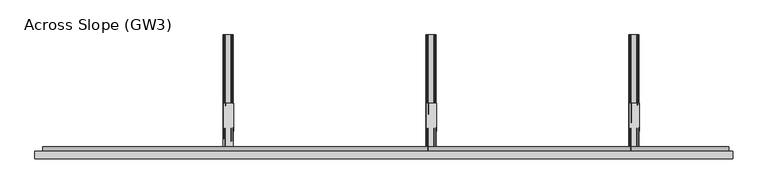
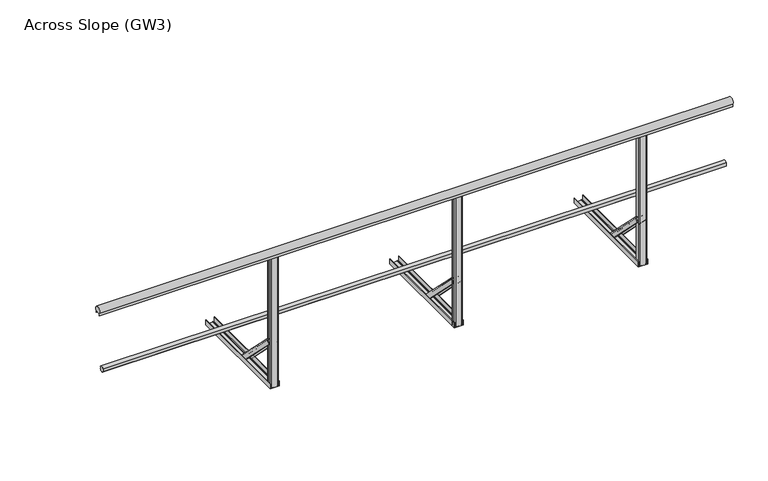
"""IFC4 building model written with IfcOpenShell, lengths in millimetres: railing geometry, Across Slope (GW3)."""

from ifc_helpers import new_model, si_unit, point, frame, frame_2d, origin, origin_with_axes, place, context, project, spatial, polyline, circle_curve, trimmed, segment, composite_curve, outline, extrude, source, transform, mapped, element, save
from ifc_brep_helpers import plane_surface, extruded_surface, advanced_brep


def across_slope_gw3_e025678e(model_context):
    return source(origin(), model_context, "Body", "SolidModel", [
        extrude(outline(composite_curve([segment(trimmed(circle_curve(frame_2d((-746.287505, 528.0)), 20.0), [point((-727.7, 520.617273))], [point((-762.0, 515.6259343))], False, "CARTESIAN"), True, "CONTINUOUS"), segment(polyline([(-762.0, 515.6259343), (-762.0, 540.3740657)]), True, "CONTINUOUS"), segment(trimmed(circle_curve(frame_2d((-746.287505, 528.0)), 20.0), [point((-762.0, 540.3740657))], [point((-727.7, 535.382727))], False, "CARTESIAN"), True, "CONTINUOUS"), segment(polyline([(-727.7, 535.382727), (-731.7, 535.382727), (-731.7, 520.617273), (-727.7, 520.617273)]), True, "CONTINUOUS")], self_intersect=False)), frame((-1180.0, 0.0, 0.0), z_axis=(1.0, 0.0, 0.0), x_axis=(0.0, 1.0, 0.0)), (0.0, 0.0, 1.0), 4470.0),
        extrude(outline(composite_curve([segment(trimmed(circle_curve(frame_2d((-781.0, 1015.0)), 25.0), [point((-802.0, 1001.43534))], [point((-760.0, 1001.43534))], False, "CARTESIAN"), True, "CONTINUOUS"), segment(polyline([(-760.0, 1001.43534), (-760.0, 983.0), (-761.0, 983.0), (-761.0, 998.0), (-801.0, 998.0), (-801.0, 983.0), (-802.0, 983.0), (-802.0, 1001.43534)]), True, "CONTINUOUS")], self_intersect=False)), frame((-1230.0, 0.0, 0.0), z_axis=(1.0, 0.0, 0.0), x_axis=(0.0, 1.0, 0.0)), (0.0, 0.0, 1.0), 4545.0),
        extrude(outline(composite_curve([segment(trimmed(circle_curve(frame_2d((1327.0, -795.0)), 5.0), [point((1327.0, -800.0))], [point((1322.0, -795.0))], False, "CARTESIAN"), True, "CONTINUOUS"), segment(polyline([(1322.0, -795.0), (1322.0, -767.0)]), True, "CONTINUOUS"), segment(trimmed(circle_curve(frame_2d((1327.0, -767.0)), 5.0), [point((1322.0, -767.0))], [point((1327.0, -762.0))], False, "CARTESIAN"), True, "CONTINUOUS"), segment(polyline([(1327.0, -762.0), (1373.0, -762.0)]), True, "CONTINUOUS"), segment(trimmed(circle_curve(frame_2d((1373.0, -767.0)), 5.0), [point((1373.0, -762.0))], [point((1378.0, -767.0))], False, "CARTESIAN"), True, "CONTINUOUS"), segment(polyline([(1378.0, -767.0), (1378.0, -795.0)]), True, "CONTINUOUS"), segment(trimmed(circle_curve(frame_2d((1373.0, -795.0)), 5.0), [point((1378.0, -795.0))], [point((1373.0, -800.0))], False, "CARTESIAN"), True, "CONTINUOUS"), segment(polyline([(1373.0, -800.0), (1327.0, -800.0)]), True, "CONTINUOUS")], self_intersect=False)), origin_with_axes(), (0.0, 0.0, 1.0), 998.0),
        advanced_brep(
        [(1385.5, -443.7912606, 38.0), (1385.5, -469.6006581, 12.1906025), (1382.5, -469.6006581, 12.1906025), (1382.5, -445.9125809, 35.8786797), (1372.5, -445.9125809, 35.8786797), (1372.5, -447.6803479, 34.1109127), (1371.5, -447.6803479, 34.1109127), (1371.5, -445.9125809, 35.8786797), (1334.5, -445.9125809, 35.8786797), (1334.5, -447.6803479, 34.1109127), (1333.5, -447.6803479, 34.1109127), (1333.5, -445.9125809, 35.8786797), (1323.5, -445.9125809, 35.8786797), (1323.5, -469.6006581, 12.1906025), (1320.5, -469.6006581, 12.1906025), (1320.5, -443.7912606, 38.0), (1382.5, -761.9893121, 356.1980516), (1317.5, -761.9893121, 356.1980516), (1317.5, -787.7987096, 330.3886541), (1320.5, -787.7987096, 330.3886541), (1320.5, -764.1106324, 354.0767312), (1330.5, -764.1106324, 354.0767312), (1330.5, -765.8783994, 352.3089643), (1331.5, -765.8783994, 352.3089643), (1331.5, -764.1106324, 354.0767312), (1368.5, -764.1106324, 354.0767312), (1368.5, -765.8783994, 352.3089643), (1369.5, -765.8783994, 352.3089643), (1369.5, -764.1106324, 354.0767312), (1379.5, -764.1106324, 354.0767312), (1379.5, -787.7987096, 330.3886541), (1382.5, -787.7987096, 330.3886541)],
        [
            (0, 1),
            (1, 2, circle_curve(frame((1384.0, -469.6006581, 12.1906025), z_axis=(0.0, 0.7071067811865529, -0.7071067811865422), x_axis=(0.0, -0.7071067811865422, -0.7071067811865529)), 1.5)),
            (2, 3),
            (3, 4),
            (4, 5),
            (5, 6, circle_curve(frame((1372.0, -447.6803479, 34.1109127), z_axis=(0.0, 0.7071067811865529, -0.7071067811865422), x_axis=(0.0, -0.7071067811865422, -0.7071067811865529)), 0.5)),
            (6, 7),
            (7, 8),
            (8, 9),
            (9, 10, circle_curve(frame((1334.0, -447.6803479, 34.1109127), z_axis=(0.0, 0.7071067811865529, -0.7071067811865422), x_axis=(0.0, -0.7071067811865422, -0.7071067811865529)), 0.5)),
            (10, 11),
            (11, 12),
            (12, 13),
            (13, 14, circle_curve(frame((1322.0, -469.6006581, 12.1906025), z_axis=(0.0, 0.7071067811865529, -0.7071067811865422), x_axis=(0.0, -0.7071067811865422, -0.7071067811865529)), 1.5)),
            (14, 15),
            (15, 0),
            (16, 17),
            (17, 18),
            (18, 19, circle_curve(frame((1319.0, -787.7987096, 330.3886541), z_axis=(0.0, -0.7071067811865529, 0.7071067811865422), x_axis=(0.0, -0.7071067811865422, -0.7071067811865529)), 1.5)),
            (19, 20),
            (20, 21),
            (21, 22),
            (22, 23, circle_curve(frame((1331.0, -765.8783994, 352.3089643), z_axis=(0.0, -0.7071067811865529, 0.7071067811865422), x_axis=(0.0, -0.7071067811865422, -0.7071067811865529)), 0.5)),
            (23, 24),
            (24, 25),
            (25, 26),
            (26, 27, circle_curve(frame((1369.0, -765.8783994, 352.3089643), z_axis=(0.0, -0.7071067811865529, 0.7071067811865422), x_axis=(0.0, -0.7071067811865422, -0.7071067811865529)), 0.5)),
            (27, 28),
            (28, 29),
            (29, 30),
            (30, 31, circle_curve(frame((1381.0, -787.7987096, 330.3886541), z_axis=(0.0, -0.7071067811865529, 0.7071067811865422), x_axis=(0.0, -0.7071067811865422, -0.7071067811865529)), 1.5)),
            (31, 16),
            (31, 1),
            (0, 16),
            (30, 2),
            (29, 3),
            (28, 4),
            (27, 5),
            (26, 6),
            (25, 7),
            (24, 8),
            (23, 9),
            (22, 10),
            (21, 11),
            (20, 12),
            (19, 13),
            (18, 14),
            (17, 15),
        ],
        [
            plane_surface(frame((1353.0, -452.0113769, 29.7798837), z_axis=(0.0, 0.7071067811865528, -0.7071067811865424), x_axis=(0.0, -0.7071067811865424, -0.7071067811865528))),
            plane_surface(frame((1350.0, -770.2094284, 347.9779352), z_axis=(0.0, -0.7071067811865528, 0.7071067811865422), x_axis=(0.0, -0.7071067811865422, -0.7071067811865528))),
            plane_surface(frame((1382.5, -774.8940109, 343.2933528), z_axis=(0.9999777785184911, -0.004713940454846682, 0.004713940454842173), x_axis=(0.0, -0.7071067811865424, -0.7071067811865528))),
            extruded_surface(trimmed(circle_curve(frame((1381.0, -787.7987096, 330.3886541), z_axis=(0.0, 0.7071067811865529, -0.7071067811865422), x_axis=(0.0, -0.7071067811865422, -0.7071067811865529)), 1.5), [point((1382.5, -787.7987096, 330.3886541))], [point((1379.5, -787.7987096, 330.3886541))], True, "CARTESIAN"), (3.0, 318.1980515000001, -318.1980516), 450.00999991159415),
            plane_surface(frame((1379.5, -775.954671, 342.2326926), z_axis=(-0.9999777785184913, 0.004713940454846682, -0.004713940454842174), x_axis=(0.0, 0.7071067811865425, 0.7071067811865528))),
            plane_surface(frame((1374.5, -764.1106324, 354.0767312), z_axis=(0.0, -0.7071067811865427, -0.7071067811865523), x_axis=(-1.0, 0.0, 0.0))),
            plane_surface(frame((1369.5, -764.9945159, 353.1928478), z_axis=(0.9999777785184911, -0.0047139404548466575, 0.0047139404548422), x_axis=(0.0, -0.7071067811865461, -0.7071067811865489))),
            extruded_surface(trimmed(circle_curve(frame((1369.0, -765.8783994, 352.3089643), z_axis=(0.0, 0.7071067811865529, -0.7071067811865422), x_axis=(0.0, -0.7071067811865422, -0.7071067811865529)), 0.5), [point((1369.5, -765.8783994, 352.3089643))], [point((1368.5, -765.8783994, 352.3089643))], True, "CARTESIAN"), (3.0, 318.1980515, -318.1980516), 450.0099999115941),
            plane_surface(frame((1368.5, -764.9945159, 353.1928478), z_axis=(-0.9999777785184911, 0.004713940454846672, -0.004713940454842214), x_axis=(0.0, 0.7071067811865461, 0.7071067811865489))),
            plane_surface(frame((1350.0, -764.1106324, 354.0767312), z_axis=(0.0, -0.7071067811865427, -0.7071067811865523), x_axis=(-1.0, 0.0, 0.0))),
            plane_surface(frame((1331.5, -764.9945159, 353.1928478), z_axis=(0.9999777785184911, -0.0047139404548466645, 0.004713940454842207), x_axis=(0.0, -0.7071067811865461, -0.7071067811865489))),
            extruded_surface(trimmed(circle_curve(frame((1331.0, -765.8783994, 352.3089643), z_axis=(0.0, 0.7071067811865529, -0.7071067811865422), x_axis=(0.0, -0.7071067811865422, -0.7071067811865529)), 0.5), [point((1331.5, -765.8783994, 352.3089643))], [point((1330.5, -765.8783994, 352.3089643))], True, "CARTESIAN"), (3.0, 318.1980515, -318.1980516), 450.0099999115941),
            plane_surface(frame((1330.5, -764.9945159, 353.1928478), z_axis=(-0.9999777785184911, 0.004713940454846691, -0.004713940454842178), x_axis=(0.0, 0.7071067811865419, 0.7071067811865531))),
            plane_surface(frame((1325.5, -764.1106324, 354.0767312), z_axis=(0.0, -0.7071067811865425, -0.7071067811865526), x_axis=(-1.0, 0.0, 0.0))),
            plane_surface(frame((1320.5, -775.954671, 342.2326926), z_axis=(0.9999777785184913, -0.00471394045484669, 0.004713940454842181), x_axis=(0.0, -0.7071067811865425, -0.7071067811865528))),
            extruded_surface(trimmed(circle_curve(frame((1319.0, -787.7987096, 330.3886541), z_axis=(0.0, 0.7071067811865529, -0.7071067811865422), x_axis=(0.0, -0.7071067811865422, -0.7071067811865529)), 1.5), [point((1320.5, -787.7987096, 330.3886541))], [point((1317.5, -787.7987096, 330.3886541))], True, "CARTESIAN"), (3.0, 318.1980515000001, -318.1980516), 450.00999991159415),
            plane_surface(frame((1317.5, -774.8940109, 343.2933528), z_axis=(-0.9999777785184911, 0.0047139404548466905, -0.004713940454842179), x_axis=(0.0, 0.7071067811865421, 0.7071067811865529))),
            plane_surface(frame((1350.0, -761.9893121, 356.1980516), z_axis=(0.0, 0.707106781186543, 0.707106781186552), x_axis=(1.0, 0.0, 0.0))),
        ],
        [
            (0, [[1, 2, 3, 4, 5, 6, 7, 8, 9, 10, 11, 12, 13, 14, 15, 16]]),
            (1, [[17, 18, 19, 20, 21, 22, 23, 24, 25, 26, 27, 28, 29, 30, 31, 32]]),
            (2, [[-32, 33, -1, 34]]),
            (3, [[-31, 35, -2, -33]]),
            (4, [[-30, 36, -3, -35]]),
            (5, [[-29, 37, -4, -36]]),
            (6, [[-28, 38, -5, -37]]),
            (7, [[-27, 39, -6, -38]]),
            (8, [[-26, 40, -7, -39]]),
            (9, [[-25, 41, -8, -40]]),
            (10, [[-24, 42, -9, -41]]),
            (11, [[-23, 43, -10, -42]]),
            (12, [[-22, 44, -11, -43]]),
            (13, [[-21, 45, -12, -44]]),
            (14, [[-20, 46, -13, -45]]),
            (15, [[-19, 47, -14, -46]]),
            (16, [[-18, 48, -15, -47]]),
            (17, [[-17, -34, -16, -48]]),
        ],
    ),
        extrude(outline(composite_curve([segment(polyline([(0.0, 1382.5), (36.5, 1382.5)]), True, "CONTINUOUS"), segment(trimmed(circle_curve(frame_2d((36.5, 1381.0)), 1.5), [point((36.5, 1382.5))], [point((36.5, 1379.5))], False, "CARTESIAN"), True, "CONTINUOUS"), segment(polyline([(36.5, 1379.5), (3.0, 1379.5), (3.0, 1369.5), (5.5, 1369.5)]), True, "CONTINUOUS"), segment(trimmed(circle_curve(frame_2d((5.5, 1369.0)), 0.5), [point((5.5, 1369.5))], [point((5.5, 1368.5))], False, "CARTESIAN"), True, "CONTINUOUS"), segment(polyline([(5.5, 1368.5), (3.0, 1368.5), (3.0, 1331.5), (5.5, 1331.5)]), True, "CONTINUOUS"), segment(trimmed(circle_curve(frame_2d((5.5, 1331.0)), 0.5), [point((5.5, 1331.5))], [point((5.5, 1330.5))], False, "CARTESIAN"), True, "CONTINUOUS"), segment(polyline([(5.5, 1330.5), (3.0, 1330.5), (3.0, 1320.5), (36.5, 1320.5)]), True, "CONTINUOUS"), segment(trimmed(circle_curve(frame_2d((36.5, 1319.0)), 1.5), [point((36.5, 1320.5))], [point((36.5, 1317.5))], False, "CARTESIAN"), True, "CONTINUOUS"), segment(polyline([(36.5, 1317.5), (0.0, 1317.5), (0.0, 1382.5)]), True, "CONTINUOUS")], self_intersect=False)), frame((0.0, -800.0, 0.0), z_axis=(0.0, 1.0, 0.0), x_axis=(0.0, 0.0, 1.0)), (0.0, 0.0, 1.0), 800.0),
        extrude(outline(composite_curve([segment(trimmed(circle_curve(frame_2d((2649.0, -795.0)), 5.0), [point((2649.0, -800.0))], [point((2644.0, -795.0))], False, "CARTESIAN"), True, "CONTINUOUS"), segment(polyline([(2644.0, -795.0), (2644.0, -767.0)]), True, "CONTINUOUS"), segment(trimmed(circle_curve(frame_2d((2649.0, -767.0)), 5.0), [point((2644.0, -767.0))], [point((2649.0, -762.0))], False, "CARTESIAN"), True, "CONTINUOUS"), segment(polyline([(2649.0, -762.0), (2695.0, -762.0)]), True, "CONTINUOUS"), segment(trimmed(circle_curve(frame_2d((2695.0, -767.0)), 5.0), [point((2695.0, -762.0))], [point((2700.0, -767.0))], False, "CARTESIAN"), True, "CONTINUOUS"), segment(polyline([(2700.0, -767.0), (2700.0, -795.0)]), True, "CONTINUOUS"), segment(trimmed(circle_curve(frame_2d((2695.0, -795.0)), 5.0), [point((2700.0, -795.0))], [point((2695.0, -800.0))], False, "CARTESIAN"), True, "CONTINUOUS"), segment(polyline([(2695.0, -800.0), (2649.0, -800.0)]), True, "CONTINUOUS")], self_intersect=False)), origin_with_axes(), (0.0, 0.0, 1.0), 998.0),
        advanced_brep(
        [(2707.5, -443.7912606, 38.0), (2707.5, -469.6006581, 12.1906025), (2704.5, -469.6006581, 12.1906025), (2704.5, -445.9125809, 35.8786797), (2694.5, -445.9125809, 35.8786797), (2694.5, -447.6803479, 34.1109127), (2693.5, -447.6803479, 34.1109127), (2693.5, -445.9125809, 35.8786797), (2656.5, -445.9125809, 35.8786797), (2656.5, -447.6803479, 34.1109127), (2655.5, -447.6803479, 34.1109127), (2655.5, -445.9125809, 35.8786797), (2645.5, -445.9125809, 35.8786797), (2645.5, -469.6006581, 12.1906025), (2642.5, -469.6006581, 12.1906025), (2642.5, -443.7912606, 38.0), (2704.5, -761.9893121, 356.1980516), (2639.5, -761.9893121, 356.1980516), (2639.5, -787.7987096, 330.3886541), (2642.5, -787.7987096, 330.3886541), (2642.5, -764.1106324, 354.0767312), (2652.5, -764.1106324, 354.0767312), (2652.5, -765.8783994, 352.3089643), (2653.5, -765.8783994, 352.3089643), (2653.5, -764.1106324, 354.0767312), (2690.5, -764.1106324, 354.0767312), (2690.5, -765.8783994, 352.3089643), (2691.5, -765.8783994, 352.3089643), (2691.5, -764.1106324, 354.0767312), (2701.5, -764.1106324, 354.0767312), (2701.5, -787.7987096, 330.3886541), (2704.5, -787.7987096, 330.3886541)],
        [
            (0, 1),
            (1, 2, circle_curve(frame((2706.0, -469.6006581, 12.1906025), z_axis=(0.0, 0.7071067811865529, -0.7071067811865422), x_axis=(0.0, -0.7071067811865422, -0.7071067811865529)), 1.5)),
            (2, 3),
            (3, 4),
            (4, 5),
            (5, 6, circle_curve(frame((2694.0, -447.6803479, 34.1109127), z_axis=(0.0, 0.7071067811865529, -0.7071067811865422), x_axis=(0.0, -0.7071067811865422, -0.7071067811865529)), 0.5)),
            (6, 7),
            (7, 8),
            (8, 9),
            (9, 10, circle_curve(frame((2656.0, -447.6803479, 34.1109127), z_axis=(0.0, 0.7071067811865529, -0.7071067811865422), x_axis=(0.0, -0.7071067811865422, -0.7071067811865529)), 0.5)),
            (10, 11),
            (11, 12),
            (12, 13),
            (13, 14, circle_curve(frame((2644.0, -469.6006581, 12.1906025), z_axis=(0.0, 0.7071067811865529, -0.7071067811865422), x_axis=(0.0, -0.7071067811865422, -0.7071067811865529)), 1.5)),
            (14, 15),
            (15, 0),
            (16, 17),
            (17, 18),
            (18, 19, circle_curve(frame((2641.0, -787.7987096, 330.3886541), z_axis=(0.0, -0.7071067811865529, 0.7071067811865422), x_axis=(0.0, -0.7071067811865422, -0.7071067811865529)), 1.5)),
            (19, 20),
            (20, 21),
            (21, 22),
            (22, 23, circle_curve(frame((2653.0, -765.8783994, 352.3089643), z_axis=(0.0, -0.7071067811865529, 0.7071067811865422), x_axis=(0.0, -0.7071067811865422, -0.7071067811865529)), 0.5)),
            (23, 24),
            (24, 25),
            (25, 26),
            (26, 27, circle_curve(frame((2691.0, -765.8783994, 352.3089643), z_axis=(0.0, -0.7071067811865529, 0.7071067811865422), x_axis=(0.0, -0.7071067811865422, -0.7071067811865529)), 0.5)),
            (27, 28),
            (28, 29),
            (29, 30),
            (30, 31, circle_curve(frame((2703.0, -787.7987096, 330.3886541), z_axis=(0.0, -0.7071067811865529, 0.7071067811865422), x_axis=(0.0, -0.7071067811865422, -0.7071067811865529)), 1.5)),
            (31, 16),
            (31, 1),
            (0, 16),
            (30, 2),
            (29, 3),
            (28, 4),
            (27, 5),
            (26, 6),
            (25, 7),
            (24, 8),
            (23, 9),
            (22, 10),
            (21, 11),
            (20, 12),
            (19, 13),
            (18, 14),
            (17, 15),
        ],
        [
            plane_surface(frame((2675.0, -452.0113769, 29.7798837), z_axis=(0.0, 0.7071067811865528, -0.7071067811865424), x_axis=(0.0, -0.7071067811865424, -0.7071067811865528))),
            plane_surface(frame((2672.0, -770.2094284, 347.9779352), z_axis=(0.0, -0.7071067811865528, 0.7071067811865422), x_axis=(0.0, -0.7071067811865422, -0.7071067811865528))),
            plane_surface(frame((2704.5, -774.8940109, 343.2933528), z_axis=(0.9999777785184912, -0.004713940454838001, 0.004713940454842175), x_axis=(0.0, -0.7071067811865424, -0.7071067811865528))),
            extruded_surface(trimmed(circle_curve(frame((2703.0, -787.7987096, 330.3886541), z_axis=(0.0, 0.7071067811865529, -0.7071067811865422), x_axis=(0.0, -0.7071067811865422, -0.7071067811865529)), 1.5), [point((2704.5, -787.7987096, 330.3886541))], [point((2701.5, -787.7987096, 330.3886541))], True, "CARTESIAN"), (3.0, 318.1980515000001, -318.1980516), 450.00999991159415),
            plane_surface(frame((2701.5, -775.954671, 342.2326927), z_axis=(-0.9999777785184913, 0.0047139404548379995, -0.004713940454842174), x_axis=(0.0, 0.7071067811865425, 0.7071067811865528))),
            plane_surface(frame((2696.5, -764.1106324, 354.0767312), z_axis=(0.0, -0.7071067811865427, -0.7071067811865523), x_axis=(-1.0, 0.0, 0.0))),
            plane_surface(frame((2691.5, -764.9945159, 353.1928478), z_axis=(0.9999777785184911, -0.004713940454837976, 0.0047139404548422), x_axis=(0.0, -0.7071067811865461, -0.7071067811865489))),
            extruded_surface(trimmed(circle_curve(frame((2691.0, -765.8783994, 352.3089643), z_axis=(0.0, 0.7071067811865529, -0.7071067811865422), x_axis=(0.0, -0.7071067811865422, -0.7071067811865529)), 0.5), [point((2691.5, -765.8783994, 352.3089643))], [point((2690.5, -765.8783994, 352.3089643))], True, "CARTESIAN"), (3.0, 318.1980515, -318.1980516), 450.0099999115941),
            plane_surface(frame((2690.5, -764.9945159, 353.1928478), z_axis=(-0.9999777785184911, 0.00471394045483799, -0.004713940454842214), x_axis=(0.0, 0.7071067811865461, 0.7071067811865489))),
            plane_surface(frame((2672.0, -764.1106324, 354.0767312), z_axis=(0.0, -0.7071067811865427, -0.7071067811865523), x_axis=(-1.0, 0.0, 0.0))),
            plane_surface(frame((2653.5, -764.9945159, 353.1928478), z_axis=(0.9999777785184911, -0.004713940454837982, 0.004713940454842207), x_axis=(0.0, -0.7071067811865461, -0.7071067811865489))),
            extruded_surface(trimmed(circle_curve(frame((2653.0, -765.8783994, 352.3089643), z_axis=(0.0, 0.7071067811865529, -0.7071067811865422), x_axis=(0.0, -0.7071067811865422, -0.7071067811865529)), 0.5), [point((2653.5, -765.8783994, 352.3089643))], [point((2652.5, -765.8783994, 352.3089643))], True, "CARTESIAN"), (3.0, 318.1980515, -318.1980516), 450.0099999115941),
            plane_surface(frame((2652.5, -764.9945159, 353.1928478), z_axis=(-0.9999777785184911, 0.004713940454838009, -0.004713940454842178), x_axis=(0.0, 0.7071067811865419, 0.7071067811865531))),
            plane_surface(frame((2647.5, -764.1106324, 354.0767312), z_axis=(0.0, -0.7071067811865425, -0.7071067811865526), x_axis=(-1.0, 0.0, 0.0))),
            plane_surface(frame((2642.5, -775.954671, 342.2326927), z_axis=(0.9999777785184913, -0.004713940454838007, 0.004713940454842181), x_axis=(0.0, -0.7071067811865425, -0.7071067811865528))),
            extruded_surface(trimmed(circle_curve(frame((2641.0, -787.7987096, 330.3886541), z_axis=(0.0, 0.7071067811865529, -0.7071067811865422), x_axis=(0.0, -0.7071067811865422, -0.7071067811865529)), 1.5), [point((2642.5, -787.7987096, 330.3886541))], [point((2639.5, -787.7987096, 330.3886541))], True, "CARTESIAN"), (3.0, 318.1980515000001, -318.1980516), 450.00999991159415),
            plane_surface(frame((2639.5, -774.8940109, 343.2933528), z_axis=(-0.9999777785184911, 0.004713940454838008, -0.00471394045484218), x_axis=(0.0, 0.7071067811865421, 0.7071067811865529))),
            plane_surface(frame((2672.0, -761.9893121, 356.1980516), z_axis=(0.0, 0.707106781186543, 0.707106781186552), x_axis=(1.0, 0.0, 0.0))),
        ],
        [
            (0, [[1, 2, 3, 4, 5, 6, 7, 8, 9, 10, 11, 12, 13, 14, 15, 16]]),
            (1, [[17, 18, 19, 20, 21, 22, 23, 24, 25, 26, 27, 28, 29, 30, 31, 32]]),
            (2, [[-32, 33, -1, 34]]),
            (3, [[-31, 35, -2, -33]]),
            (4, [[-30, 36, -3, -35]]),
            (5, [[-29, 37, -4, -36]]),
            (6, [[-28, 38, -5, -37]]),
            (7, [[-27, 39, -6, -38]]),
            (8, [[-26, 40, -7, -39]]),
            (9, [[-25, 41, -8, -40]]),
            (10, [[-24, 42, -9, -41]]),
            (11, [[-23, 43, -10, -42]]),
            (12, [[-22, 44, -11, -43]]),
            (13, [[-21, 45, -12, -44]]),
            (14, [[-20, 46, -13, -45]]),
            (15, [[-19, 47, -14, -46]]),
            (16, [[-18, 48, -15, -47]]),
            (17, [[-17, -34, -16, -48]]),
        ],
    ),
        extrude(outline(composite_curve([segment(polyline([(0.0, 2704.5), (36.5, 2704.5)]), True, "CONTINUOUS"), segment(trimmed(circle_curve(frame_2d((36.5, 2703.0)), 1.5), [point((36.5, 2704.5))], [point((36.5, 2701.5))], False, "CARTESIAN"), True, "CONTINUOUS"), segment(polyline([(36.5, 2701.5), (3.0, 2701.5), (3.0, 2691.5), (5.5, 2691.5)]), True, "CONTINUOUS"), segment(trimmed(circle_curve(frame_2d((5.5, 2691.0)), 0.5), [point((5.5, 2691.5))], [point((5.5, 2690.5))], False, "CARTESIAN"), True, "CONTINUOUS"), segment(polyline([(5.5, 2690.5), (3.0, 2690.5), (3.0, 2653.5), (5.5, 2653.5)]), True, "CONTINUOUS"), segment(trimmed(circle_curve(frame_2d((5.5, 2653.0)), 0.5), [point((5.5, 2653.5))], [point((5.5, 2652.5))], False, "CARTESIAN"), True, "CONTINUOUS"), segment(polyline([(5.5, 2652.5), (3.0, 2652.5), (3.0, 2642.5), (36.5, 2642.5)]), True, "CONTINUOUS"), segment(trimmed(circle_curve(frame_2d((36.5, 2641.0)), 1.5), [point((36.5, 2642.5))], [point((36.5, 2639.5))], False, "CARTESIAN"), True, "CONTINUOUS"), segment(polyline([(36.5, 2639.5), (0.0, 2639.5), (0.0, 2704.5)]), True, "CONTINUOUS")], self_intersect=False)), frame((0.0, -800.0, 0.0), z_axis=(0.0, 1.0, 0.0), x_axis=(0.0, 0.0, 1.0)), (0.0, 0.0, 1.0), 800.0),
        extrude(outline(composite_curve([segment(trimmed(circle_curve(frame_2d((5.0, -795.0)), 5.0), [point((5.0, -800.0))], [point((0.0, -795.0))], False, "CARTESIAN"), True, "CONTINUOUS"), segment(polyline([(0.0, -795.0), (0.0, -767.0)]), True, "CONTINUOUS"), segment(trimmed(circle_curve(frame_2d((5.0, -767.0)), 5.0), [point((0.0, -767.0))], [point((5.0, -762.0))], False, "CARTESIAN"), True, "CONTINUOUS"), segment(polyline([(5.0, -762.0), (51.0, -762.0)]), True, "CONTINUOUS"), segment(trimmed(circle_curve(frame_2d((51.0, -767.0)), 5.0), [point((51.0, -762.0))], [point((56.0, -767.0))], False, "CARTESIAN"), True, "CONTINUOUS"), segment(polyline([(56.0, -767.0), (56.0, -795.0)]), True, "CONTINUOUS"), segment(trimmed(circle_curve(frame_2d((51.0, -795.0)), 5.0), [point((56.0, -795.0))], [point((51.0, -800.0))], False, "CARTESIAN"), True, "CONTINUOUS"), segment(polyline([(51.0, -800.0), (5.0, -800.0)]), True, "CONTINUOUS")], self_intersect=False)), origin_with_axes(), (0.0, 0.0, 1.0), 998.0),
        advanced_brep(
        [(63.5, -443.7912606, 38.0), (63.5, -469.6006581, 12.1906025), (60.5, -469.6006581, 12.1906025), (60.5, -445.9125809, 35.8786797), (50.5, -445.9125809, 35.8786797), (50.5, -447.6803479, 34.1109127), (49.5, -447.6803479, 34.1109127), (49.5, -445.9125809, 35.8786797), (12.5, -445.9125809, 35.8786797), (12.5, -447.6803479, 34.1109127), (11.5, -447.6803479, 34.1109127), (11.5, -445.9125809, 35.8786797), (1.5, -445.9125809, 35.8786797), (1.5, -469.6006581, 12.1906025), (-1.5, -469.6006581, 12.1906025), (-1.5, -443.7912606, 38.0), (60.5, -761.9893121, 356.1980515), (-4.5, -761.9893121, 356.1980515), (-4.5, -787.7987096, 330.388654), (-1.5, -787.7987096, 330.388654), (-1.5, -764.1106324, 354.0767312), (8.5, -764.1106324, 354.0767312), (8.5, -765.8783994, 352.3089642), (9.5, -765.8783994, 352.3089642), (9.5, -764.1106324, 354.0767312), (46.5, -764.1106324, 354.0767312), (46.5, -765.8783994, 352.3089642), (47.5, -765.8783994, 352.3089642), (47.5, -764.1106324, 354.0767312), (57.5, -764.1106324, 354.0767312), (57.5, -787.7987096, 330.388654), (60.5, -787.7987096, 330.388654)],
        [
            (0, 1),
            (1, 2, circle_curve(frame((62.0, -469.6006581, 12.1906025), z_axis=(0.0, 0.7071067811865529, -0.7071067811865422), x_axis=(0.0, -0.7071067811865422, -0.7071067811865529)), 1.5)),
            (2, 3),
            (3, 4),
            (4, 5),
            (5, 6, circle_curve(frame((50.0, -447.6803479, 34.1109127), z_axis=(0.0, 0.7071067811865529, -0.7071067811865422), x_axis=(0.0, -0.7071067811865422, -0.7071067811865529)), 0.5)),
            (6, 7),
            (7, 8),
            (8, 9),
            (9, 10, circle_curve(frame((12.0, -447.6803479, 34.1109127), z_axis=(0.0, 0.7071067811865529, -0.7071067811865422), x_axis=(0.0, -0.7071067811865422, -0.7071067811865529)), 0.5)),
            (10, 11),
            (11, 12),
            (12, 13),
            (13, 14, circle_curve(frame((0.0, -469.6006581, 12.1906025), z_axis=(0.0, 0.7071067811865529, -0.7071067811865422), x_axis=(0.0, -0.7071067811865422, -0.7071067811865529)), 1.5)),
            (14, 15),
            (15, 0),
            (16, 17),
            (17, 18),
            (18, 19, circle_curve(frame((-3.0, -787.7987096, 330.388654), z_axis=(0.0, -0.7071067811865529, 0.7071067811865422), x_axis=(0.0, -0.7071067811865422, -0.7071067811865529)), 1.5)),
            (19, 20),
            (20, 21),
            (21, 22),
            (22, 23, circle_curve(frame((9.0, -765.8783994, 352.3089642), z_axis=(0.0, -0.7071067811865529, 0.7071067811865422), x_axis=(0.0, -0.7071067811865422, -0.7071067811865529)), 0.5)),
            (23, 24),
            (24, 25),
            (25, 26),
            (26, 27, circle_curve(frame((47.0, -765.8783994, 352.3089642), z_axis=(0.0, -0.7071067811865529, 0.7071067811865422), x_axis=(0.0, -0.7071067811865422, -0.7071067811865529)), 0.5)),
            (27, 28),
            (28, 29),
            (29, 30),
            (30, 31, circle_curve(frame((59.0, -787.7987096, 330.388654), z_axis=(0.0, -0.7071067811865529, 0.7071067811865422), x_axis=(0.0, -0.7071067811865422, -0.7071067811865529)), 1.5)),
            (31, 16),
            (31, 1),
            (0, 16),
            (30, 2),
            (29, 3),
            (28, 4),
            (27, 5),
            (26, 6),
            (25, 7),
            (24, 8),
            (23, 9),
            (22, 10),
            (21, 11),
            (20, 12),
            (19, 13),
            (18, 14),
            (17, 15),
        ],
        [
            plane_surface(frame((31.0, -452.0113769, 29.7798837), z_axis=(0.0, 0.7071067811865528, -0.7071067811865424), x_axis=(0.0, -0.7071067811865424, -0.7071067811865528))),
            plane_surface(frame((28.0, -770.2094284, 347.9779352), z_axis=(0.0, -0.7071067811865528, 0.7071067811865422), x_axis=(0.0, -0.7071067811865422, -0.7071067811865528))),
            plane_surface(frame((60.5, -774.8940109, 343.2933528), z_axis=(0.9999777785184911, -0.004713940454845338, 0.004713940454842174), x_axis=(0.0, -0.7071067811865424, -0.7071067811865528))),
            extruded_surface(trimmed(circle_curve(frame((59.0, -787.7987096, 330.388654), z_axis=(0.0, 0.7071067811865529, -0.7071067811865422), x_axis=(0.0, -0.7071067811865422, -0.7071067811865529)), 1.5), [point((60.5, -787.7987096, 330.388654))], [point((57.5, -787.7987096, 330.388654))], True, "CARTESIAN"), (3.0, 318.1980515000001, -318.19805149999996), 450.00999984088503),
            plane_surface(frame((57.5, -775.954671, 342.2326926), z_axis=(-0.9999777785184913, 0.004713940454845338, -0.004713940454842175), x_axis=(0.0, 0.7071067811865425, 0.7071067811865528))),
            plane_surface(frame((52.5, -764.1106324, 354.0767312), z_axis=(0.0, -0.7071067811865427, -0.7071067811865523), x_axis=(-1.0, 0.0, 0.0))),
            plane_surface(frame((47.5, -764.9945159, 353.1928477), z_axis=(0.9999777785184911, -0.004713940454845314, 0.004713940454842201), x_axis=(0.0, -0.7071067811865461, -0.7071067811865489))),
            extruded_surface(trimmed(circle_curve(frame((47.0, -765.8783994, 352.3089642), z_axis=(0.0, 0.7071067811865529, -0.7071067811865422), x_axis=(0.0, -0.7071067811865422, -0.7071067811865529)), 0.5), [point((47.5, -765.8783994, 352.3089642))], [point((46.5, -765.8783994, 352.3089642))], True, "CARTESIAN"), (3.0, 318.1980515, -318.1980515), 450.00999984088503),
            plane_surface(frame((46.5, -764.9945159, 353.1928477), z_axis=(-0.9999777785184911, 0.004713940454845328, -0.004713940454842215), x_axis=(0.0, 0.7071067811865461, 0.7071067811865489))),
            plane_surface(frame((28.0, -764.1106324, 354.0767312), z_axis=(0.0, -0.7071067811865427, -0.7071067811865523), x_axis=(-1.0, 0.0, 0.0))),
            plane_surface(frame((9.5, -764.9945159, 353.1928477), z_axis=(0.9999777785184911, -0.004713940454845321, 0.004713940454842208), x_axis=(0.0, -0.7071067811865461, -0.7071067811865489))),
            extruded_surface(trimmed(circle_curve(frame((9.0, -765.8783994, 352.3089642), z_axis=(0.0, 0.7071067811865529, -0.7071067811865422), x_axis=(0.0, -0.7071067811865422, -0.7071067811865529)), 0.5), [point((9.5, -765.8783994, 352.3089642))], [point((8.5, -765.8783994, 352.3089642))], True, "CARTESIAN"), (3.0, 318.1980515, -318.1980515), 450.00999984088503),
            plane_surface(frame((8.5, -764.9945159, 353.1928477), z_axis=(-0.9999777785184911, 0.004713940454845348, -0.0047139404548421785), x_axis=(0.0, 0.7071067811865419, 0.7071067811865531))),
            plane_surface(frame((3.5, -764.1106324, 354.0767312), z_axis=(0.0, -0.7071067811865425, -0.7071067811865526), x_axis=(-1.0, 0.0, 0.0))),
            plane_surface(frame((-1.5, -775.954671, 342.2326926), z_axis=(0.9999777785184913, -0.004713940454845345, 0.004713940454842182), x_axis=(0.0, -0.7071067811865425, -0.7071067811865528))),
            extruded_surface(trimmed(circle_curve(frame((-3.0, -787.7987096, 330.388654), z_axis=(0.0, 0.7071067811865529, -0.7071067811865422), x_axis=(0.0, -0.7071067811865422, -0.7071067811865529)), 1.5), [point((-1.5, -787.7987096, 330.388654))], [point((-4.5, -787.7987096, 330.388654))], True, "CARTESIAN"), (3.0, 318.1980515000001, -318.19805149999996), 450.00999984088503),
            plane_surface(frame((-4.5, -774.8940109, 343.2933528), z_axis=(-0.9999777785184911, 0.004713940454845347, -0.00471394045484218), x_axis=(0.0, 0.7071067811865421, 0.7071067811865529))),
            plane_surface(frame((28.0, -761.9893121, 356.1980515), z_axis=(0.0, 0.707106781186543, 0.707106781186552), x_axis=(1.0, 0.0, 0.0))),
        ],
        [
            (0, [[1, 2, 3, 4, 5, 6, 7, 8, 9, 10, 11, 12, 13, 14, 15, 16]]),
            (1, [[17, 18, 19, 20, 21, 22, 23, 24, 25, 26, 27, 28, 29, 30, 31, 32]]),
            (2, [[-32, 33, -1, 34]]),
            (3, [[-31, 35, -2, -33]]),
            (4, [[-30, 36, -3, -35]]),
            (5, [[-29, 37, -4, -36]]),
            (6, [[-28, 38, -5, -37]]),
            (7, [[-27, 39, -6, -38]]),
            (8, [[-26, 40, -7, -39]]),
            (9, [[-25, 41, -8, -40]]),
            (10, [[-24, 42, -9, -41]]),
            (11, [[-23, 43, -10, -42]]),
            (12, [[-22, 44, -11, -43]]),
            (13, [[-21, 45, -12, -44]]),
            (14, [[-20, 46, -13, -45]]),
            (15, [[-19, 47, -14, -46]]),
            (16, [[-18, 48, -15, -47]]),
            (17, [[-17, -34, -16, -48]]),
        ],
    ),
        extrude(outline(composite_curve([segment(polyline([(0.0, 60.5), (36.5, 60.5)]), True, "CONTINUOUS"), segment(trimmed(circle_curve(frame_2d((36.5, 59.0)), 1.5), [point((36.5, 60.5))], [point((36.5, 57.5))], False, "CARTESIAN"), True, "CONTINUOUS"), segment(polyline([(36.5, 57.5), (3.0, 57.5), (3.0, 47.5), (5.5, 47.5)]), True, "CONTINUOUS"), segment(trimmed(circle_curve(frame_2d((5.5, 47.0)), 0.5), [point((5.5, 47.5))], [point((5.5, 46.5))], False, "CARTESIAN"), True, "CONTINUOUS"), segment(polyline([(5.5, 46.5), (3.0, 46.5), (3.0, 9.5), (5.5, 9.5)]), True, "CONTINUOUS"), segment(trimmed(circle_curve(frame_2d((5.5, 9.0)), 0.5), [point((5.5, 9.5))], [point((5.5, 8.5))], False, "CARTESIAN"), True, "CONTINUOUS"), segment(polyline([(5.5, 8.5), (3.0, 8.5), (3.0, -1.5), (36.5, -1.5)]), True, "CONTINUOUS"), segment(trimmed(circle_curve(frame_2d((36.5, -3.0)), 1.5), [point((36.5, -1.5))], [point((36.5, -4.5))], False, "CARTESIAN"), True, "CONTINUOUS"), segment(polyline([(36.5, -4.5), (0.0, -4.5), (0.0, 60.5)]), True, "CONTINUOUS")], self_intersect=False)), frame((0.0, -800.0, 0.0), z_axis=(0.0, 1.0, 0.0), x_axis=(0.0, 0.0, 1.0)), (0.0, 0.0, 1.0), 800.0),
    ])


if __name__ == "__main__":
    model = new_model("IFC4")
    model_context = context("Model", 3, world=origin())
    ifc_project = project(units=[si_unit("LENGTHUNIT", "METRE", prefix="MILLI")], contexts=[model_context])
    site = spatial("IfcSite", under=ifc_project)
    building = spatial("IfcBuilding", under=site)
    placement = place(None, origin())
    across_slope_gw3_shape = across_slope_gw3_e025678e(model_context)
    element("IfcRailing", 1, ObjectType="Across Slope (GW3)", at=placement, inside=building, context=model_context, shape_type="MappedRepresentation", body=[
        mapped(across_slope_gw3_shape, transform((0.0, 0.0, 0.0), x_axis=(1.0, 0.0, 0.0), y_axis=(0.0, 1.0, 0.0), z_axis=(0.0, 0.0, 1.0))),
    ])
    save(model, "model.ifc")
